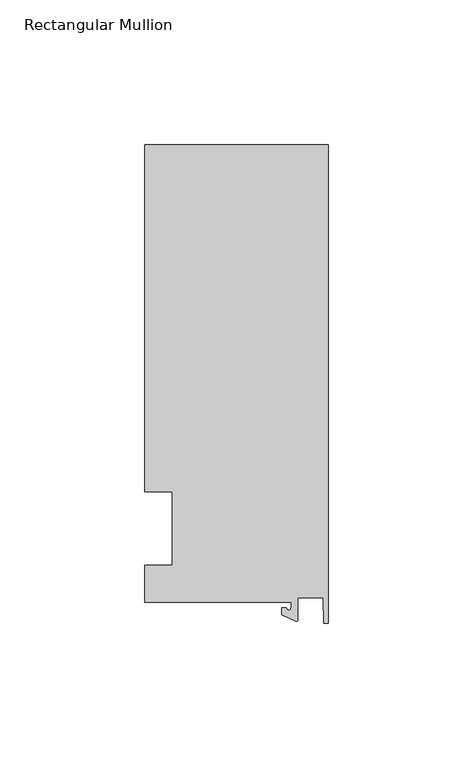
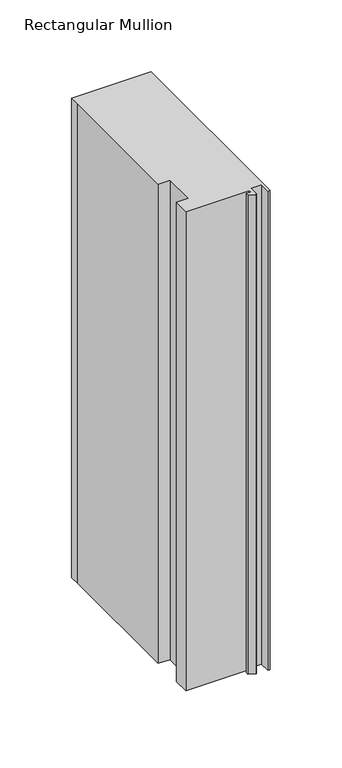
"""IFC4 building model written with IfcOpenShell, lengths in millimetres: member geometry, Rectangular Mullion."""

from ifc_helpers import new_model, si_unit, point, frame, frame_2d, origin, place, context, project, spatial, polyline, circle_curve, trimmed, segment, composite_curve, outline, extrude, source, transform, mapped, element, save


def rectangular_mullion_1024402a(model_context):
    return source(origin(), model_context, "Body", "SweptSolid", [
        extrude(outline(composite_curve([segment(polyline([(-12.8216721, -25.5984375), (-63.5, -25.5984375), (-63.5, -12.7), (-53.975, -12.7), (-53.975, 12.7), (-63.5, 12.7), (-63.5, 125.075512), (-63.5, 132.822512), (0.0, 132.822512), (0.0, -32.810012), (-1.5566453, -32.810012), (-1.7144124, -23.9227662), (-10.4340721, -23.9227662), (-10.4340721, -31.6795354)]), True, "CONTINUOUS"), segment(trimmed(circle_curve(frame_2d((-10.9420721, -31.6795354)), 0.508), [point((-10.4340721, -31.6795354))], [point((-11.1567622, -32.1399398))], False, "CARTESIAN"), True, "CONTINUOUS"), segment(polyline([(-11.1567622, -32.1399398), (-15.9966721, -29.8830527), (-15.9966721, -27.5208534), (-14.4091721, -27.5208534)]), True, "CONTINUOUS"), segment(trimmed(circle_curve(frame_2d((-13.6154221, -27.5208534)), 0.79375), [point((-14.4091721, -27.5208534))], [point((-12.8216721, -27.5208534))], True, "CARTESIAN"), True, "CONTINUOUS"), segment(polyline([(-12.8216721, -27.5208534), (-12.8216721, -25.5984375)]), True, "CONTINUOUS")], self_intersect=False)), frame((0.0, 0.0, -406.4), z_axis=(0.0, 0.0, 1.0), x_axis=(1.0, 0.0, 0.0)), (0.0, 0.0, 1.0), 406.4),
    ])


if __name__ == "__main__":
    model = new_model("IFC4")
    model_context = context("Model", 3, world=origin())
    ifc_project = project(units=[si_unit("LENGTHUNIT", "METRE", prefix="MILLI")], contexts=[model_context])
    site = spatial("IfcSite", under=ifc_project)
    building = spatial("IfcBuilding", under=site)
    placement = place(None, origin())
    rectangular_mullion_shape = rectangular_mullion_1024402a(model_context)
    element("IfcMember", 1, ObjectType="Rectangular Mullion", at=placement, inside=building, context=model_context, shape_type="MappedRepresentation", body=[
        mapped(rectangular_mullion_shape, transform((0.0, 0.0, 0.0), x_axis=(1.0, 0.0, 0.0), y_axis=(0.0, 1.0, 0.0), z_axis=(0.0, 0.0, 1.0))),
    ])
    save(model, "model.ifc")
